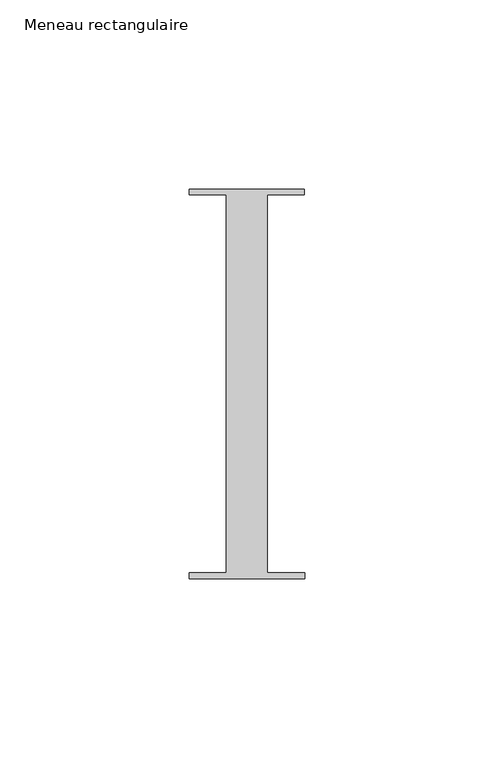
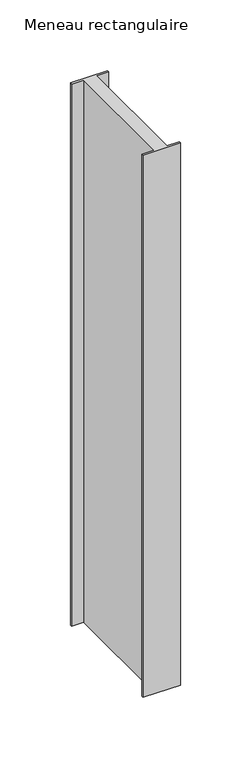
"""IFC4 building model written with IfcOpenShell, lengths in millimetres: member geometry, Meneau rectangulaire."""

from ifc_helpers import new_model, si_unit, frame, origin, place, context, project, spatial, polyline, outline, extrude, source, transform, mapped, element, save


def meneau_rectangulaire_d6b01c49(model_context):
    return source(origin(), model_context, "Body", "SweptSolid", [
        extrude(outline(polyline([(15.1919193, 51.5152664), (15.1934333, 50.0054494), (5.4028486, 50.0054494), (5.4028486, -49.9846825), (15.2937013, -49.9846825), (15.2952055, -51.4846817), (-15.2047792, -51.5152664), (-15.2062834, -50.0152672), (-5.4194144, -50.0152672), (-5.4194144, 49.9942223), (-15.3065707, 49.9942223), (-15.3080653, 51.4846817), (15.1919193, 51.5152664)])), frame((0.0, 0.0, -469.1546344), z_axis=(0.0, 0.0, 1.0), x_axis=(1.0, 0.0, 0.0)), (0.0, 0.0, 1.0), 469.1546344),
    ])


if __name__ == "__main__":
    model = new_model("IFC4")
    model_context = context("Model", 3, world=origin())
    ifc_project = project(units=[si_unit("LENGTHUNIT", "METRE", prefix="MILLI")], contexts=[model_context])
    site = spatial("IfcSite", under=ifc_project)
    building = spatial("IfcBuilding", under=site)
    placement = place(None, origin())
    meneau_rectangulaire_shape = meneau_rectangulaire_d6b01c49(model_context)
    element("IfcMember", 1, ObjectType="Meneau rectangulaire", at=placement, inside=building, context=model_context, shape_type="MappedRepresentation", body=[
        mapped(meneau_rectangulaire_shape, transform((0.0, 0.0, 0.0), x_axis=(1.0, 0.0, 0.0), y_axis=(0.0, 1.0, 0.0), z_axis=(0.0, 0.0, 1.0))),
    ])
    save(model, "model.ifc")
